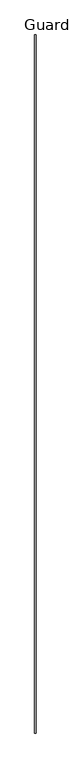
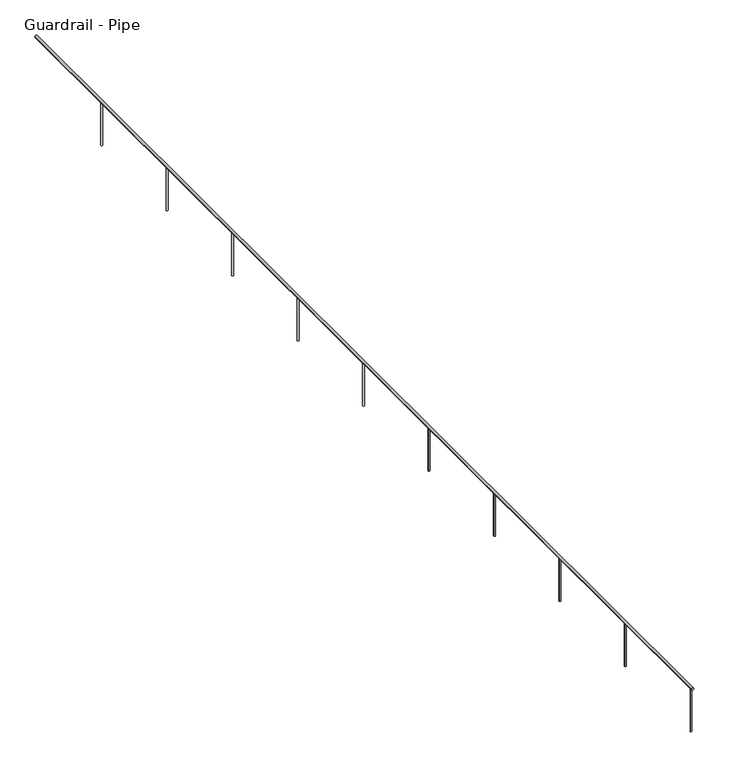
"""IFC4 building model written with IfcOpenShell, lengths in millimetres: railing geometry, Guardrail - Pipe."""

from ifc_helpers import new_model, si_unit, point, frame, frame_2d, origin, origin_with_axes, place, context, project, spatial, circle_curve, trimmed, segment, composite_curve, outline, extrude, source, transform, mapped, element, save


def guardrail_pipe_b8e292ce(model_context):
    return source(origin(), model_context, "Body", "SweptSolid", [
        extrude(outline(composite_curve([segment(trimmed(circle_curve(frame_2d((742.95, 372657.4754676)), 19.05), [point((742.95, 372676.5254676))], [point((742.95, 372638.4254676))], False, "CARTESIAN"), True, "CONTINUOUS"), segment(trimmed(circle_curve(frame_2d((742.95, 372657.4754676)), 19.05), [point((742.95, 372638.4254676))], [point((742.95, 372676.5254676))], False, "CARTESIAN"), True, "CONTINUOUS")], self_intersect=False)), frame((0.0, -276383.7642723, 0.0), z_axis=(0.0, 1.0, 0.0), x_axis=(0.0, 0.0, 1.0)), (0.0, 0.0, 1.0), 18333.24375),
        extrude(outline(composite_curve([segment(trimmed(circle_curve(frame_2d((372657.4754676, -276338.5205223)), 12.7), [point((372670.1754676, -276338.5205223))], [point((372644.7754676, -276338.5205223))], False, "CARTESIAN"), True, "CONTINUOUS"), segment(trimmed(circle_curve(frame_2d((372657.4754676, -276338.5205223)), 12.7), [point((372644.7754676, -276338.5205223))], [point((372670.1754676, -276338.5205223))], False, "CARTESIAN"), True, "CONTINUOUS")], self_intersect=False)), origin_with_axes(), (0.0, 0.0, 1.0), 723.9),
        extrude(outline(composite_curve([segment(trimmed(circle_curve(frame_2d((372657.4754676, -274509.7205223)), 12.7), [point((372670.1754676, -274509.7205223))], [point((372644.7754676, -274509.7205223))], False, "CARTESIAN"), True, "CONTINUOUS"), segment(trimmed(circle_curve(frame_2d((372657.4754676, -274509.7205223)), 12.7), [point((372644.7754676, -274509.7205223))], [point((372670.1754676, -274509.7205223))], False, "CARTESIAN"), True, "CONTINUOUS")], self_intersect=False)), origin_with_axes(), (0.0, 0.0, 1.0), 723.9),
        extrude(outline(composite_curve([segment(trimmed(circle_curve(frame_2d((372657.4754676, -272680.9205223)), 12.7), [point((372670.1754676, -272680.9205223))], [point((372644.7754676, -272680.9205223))], False, "CARTESIAN"), True, "CONTINUOUS"), segment(trimmed(circle_curve(frame_2d((372657.4754676, -272680.9205223)), 12.7), [point((372644.7754676, -272680.9205223))], [point((372670.1754676, -272680.9205223))], False, "CARTESIAN"), True, "CONTINUOUS")], self_intersect=False)), origin_with_axes(), (0.0, 0.0, 1.0), 723.9),
        extrude(outline(composite_curve([segment(trimmed(circle_curve(frame_2d((372657.4754676, -270852.1205223)), 12.7), [point((372670.1754676, -270852.1205223))], [point((372644.7754676, -270852.1205223))], False, "CARTESIAN"), True, "CONTINUOUS"), segment(trimmed(circle_curve(frame_2d((372657.4754676, -270852.1205223)), 12.7), [point((372644.7754676, -270852.1205223))], [point((372670.1754676, -270852.1205223))], False, "CARTESIAN"), True, "CONTINUOUS")], self_intersect=False)), origin_with_axes(), (0.0, 0.0, 1.0), 723.9),
        extrude(outline(composite_curve([segment(trimmed(circle_curve(frame_2d((372657.4754676, -269023.3205223)), 12.7), [point((372670.1754676, -269023.3205223))], [point((372644.7754676, -269023.3205223))], False, "CARTESIAN"), True, "CONTINUOUS"), segment(trimmed(circle_curve(frame_2d((372657.4754676, -269023.3205223)), 12.7), [point((372644.7754676, -269023.3205223))], [point((372670.1754676, -269023.3205223))], False, "CARTESIAN"), True, "CONTINUOUS")], self_intersect=False)), origin_with_axes(), (0.0, 0.0, 1.0), 723.9),
        extrude(outline(composite_curve([segment(trimmed(circle_curve(frame_2d((372657.4754676, -267194.5205223)), 12.7), [point((372670.1754676, -267194.5205223))], [point((372644.7754676, -267194.5205223))], False, "CARTESIAN"), True, "CONTINUOUS"), segment(trimmed(circle_curve(frame_2d((372657.4754676, -267194.5205223)), 12.7), [point((372644.7754676, -267194.5205223))], [point((372670.1754676, -267194.5205223))], False, "CARTESIAN"), True, "CONTINUOUS")], self_intersect=False)), origin_with_axes(), (0.0, 0.0, 1.0), 723.9),
        extrude(outline(composite_curve([segment(trimmed(circle_curve(frame_2d((372657.4754676, -265365.7205223)), 12.7), [point((372670.1754676, -265365.7205223))], [point((372644.7754676, -265365.7205223))], False, "CARTESIAN"), True, "CONTINUOUS"), segment(trimmed(circle_curve(frame_2d((372657.4754676, -265365.7205223)), 12.7), [point((372644.7754676, -265365.7205223))], [point((372670.1754676, -265365.7205223))], False, "CARTESIAN"), True, "CONTINUOUS")], self_intersect=False)), origin_with_axes(), (0.0, 0.0, 1.0), 723.9),
        extrude(outline(composite_curve([segment(trimmed(circle_curve(frame_2d((372657.4754676, -263536.9205223)), 12.7), [point((372670.1754676, -263536.9205223))], [point((372644.7754676, -263536.9205223))], False, "CARTESIAN"), True, "CONTINUOUS"), segment(trimmed(circle_curve(frame_2d((372657.4754676, -263536.9205223)), 12.7), [point((372644.7754676, -263536.9205223))], [point((372670.1754676, -263536.9205223))], False, "CARTESIAN"), True, "CONTINUOUS")], self_intersect=False)), origin_with_axes(), (0.0, 0.0, 1.0), 723.9),
        extrude(outline(composite_curve([segment(trimmed(circle_curve(frame_2d((372657.4754676, -261708.1205223)), 12.7), [point((372670.1754676, -261708.1205223))], [point((372644.7754676, -261708.1205223))], False, "CARTESIAN"), True, "CONTINUOUS"), segment(trimmed(circle_curve(frame_2d((372657.4754676, -261708.1205223)), 12.7), [point((372644.7754676, -261708.1205223))], [point((372670.1754676, -261708.1205223))], False, "CARTESIAN"), True, "CONTINUOUS")], self_intersect=False)), origin_with_axes(), (0.0, 0.0, 1.0), 723.9),
        extrude(outline(composite_curve([segment(trimmed(circle_curve(frame_2d((372657.4754676, -259879.3205223)), 12.7), [point((372670.1754676, -259879.3205223))], [point((372644.7754676, -259879.3205223))], False, "CARTESIAN"), True, "CONTINUOUS"), segment(trimmed(circle_curve(frame_2d((372657.4754676, -259879.3205223)), 12.7), [point((372644.7754676, -259879.3205223))], [point((372670.1754676, -259879.3205223))], False, "CARTESIAN"), True, "CONTINUOUS")], self_intersect=False)), origin_with_axes(), (0.0, 0.0, 1.0), 723.9),
    ])


if __name__ == "__main__":
    model = new_model("IFC4")
    model_context = context("Model", 3, world=origin())
    ifc_project = project(units=[si_unit("LENGTHUNIT", "METRE", prefix="MILLI")], contexts=[model_context])
    site = spatial("IfcSite", under=ifc_project)
    building = spatial("IfcBuilding", under=site)
    placement = place(None, origin())
    guardrail_pipe_shape = guardrail_pipe_b8e292ce(model_context)
    element("IfcRailing", 1, ObjectType="Guardrail - Pipe", at=placement, inside=building, context=model_context, shape_type="MappedRepresentation", body=[
        mapped(guardrail_pipe_shape, transform((0.0, 0.0, 0.0), x_axis=(1.0, 0.0, 0.0), y_axis=(0.0, 1.0, 0.0), z_axis=(0.0, 0.0, 1.0))),
    ])
    save(model, "model.ifc")
